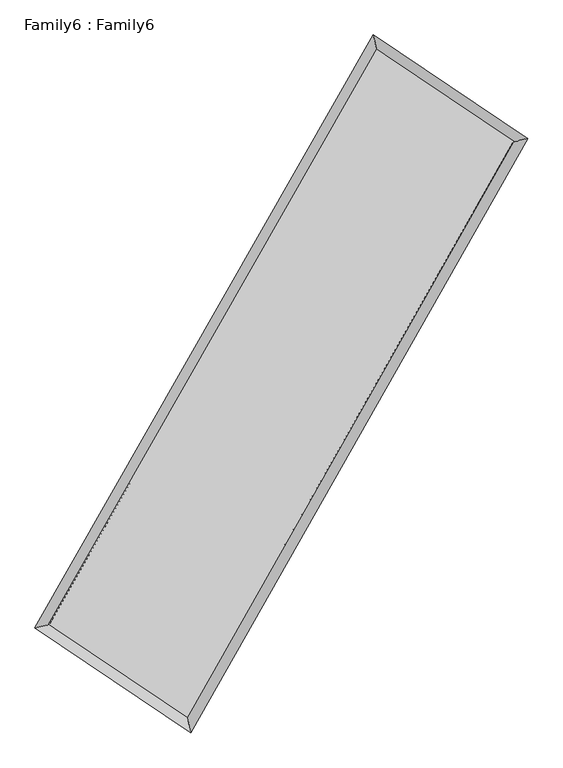
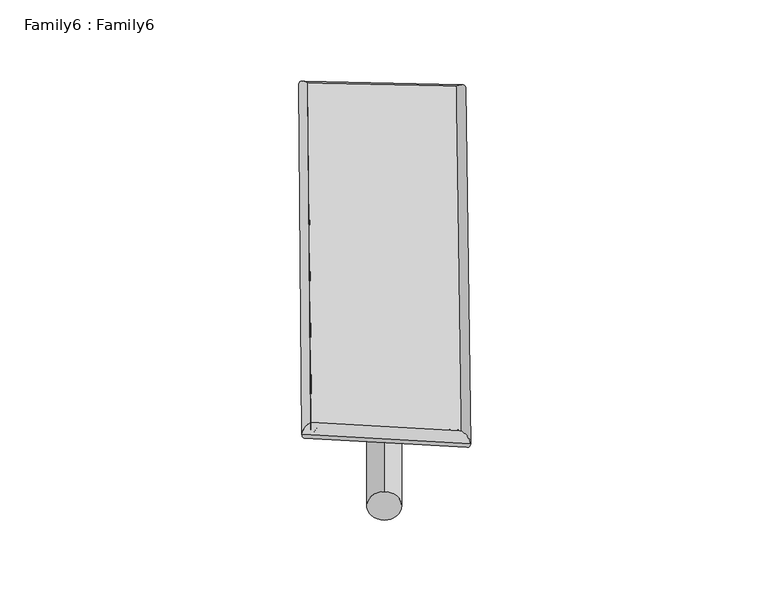
"""IFC4 building model written with IfcOpenShell, lengths in millimetres: plate geometry, Family6 : Family6."""

from ifc_helpers import new_model, si_unit, point, frame, origin, origin_2d, place, context, project, spatial, circle_curve, ellipse_curve, trimmed, segment, composite_curve, outline, extrude, source, transform, mapped, element, save
from ifc_brep_helpers import plane_surface, cylinder_surface, spline_surface, advanced_brep


def family6_family6_083a003a(model_context):
    return source(origin(), model_context, "Body", "SolidModel", [
        extrude(outline(composite_curve([segment(trimmed(circle_curve(origin_2d(), 76.2), [point((-75.4341514, -10.7763073))], [point((75.4341514, 10.7763073))], False, "CARTESIAN"), True, "CONTINUOUS"), segment(trimmed(circle_curve(origin_2d(), 76.2), [point((75.4341514, 10.7763073))], [point((-75.4341514, -10.7763073))], False, "CARTESIAN"), True, "CONTINUOUS")], self_intersect=False)), frame((9144.0, 9144.0, 0.0), z_axis=(0.665540820902728, 0.6907659826288352, 0.28266194111507653), x_axis=(-0.6834520969485873, 0.7162300732858135, -0.14109469620640291)), (0.0, 0.0, 1.0), 5488.8664095),
        extrude(outline(composite_curve([segment(trimmed(circle_curve(origin_2d(), 76.2), [point((-53.8815367, 53.8815367))], [point((53.8815367, -53.8815367))], False, "CARTESIAN"), True, "CONTINUOUS"), segment(trimmed(circle_curve(origin_2d(), 76.2), [point((53.8815367, -53.8815367))], [point((-53.8815367, 53.8815367))], False, "CARTESIAN"), True, "CONTINUOUS")], self_intersect=False)), frame((9144.0, 9144.0, 0.0), z_axis=(-0.6673452989962675, -0.6890896133342966, 0.28249912690550366), x_axis=(0.6487319893709153, -0.3515603447840307, 0.6749460200210001)), (0.0, 0.0, 1.0), 5491.868307),
        extrude(outline(composite_curve([segment(trimmed(circle_curve(origin_2d(), 76.2), [point((-53.8815367, -53.8815367))], [point((53.8815367, 53.8815367))], False, "CARTESIAN"), True, "CONTINUOUS"), segment(trimmed(circle_curve(origin_2d(), 76.2), [point((53.8815367, 53.8815367))], [point((-53.8815367, -53.8815367))], False, "CARTESIAN"), True, "CONTINUOUS")], self_intersect=False)), frame((9144.0, 9144.0, 0.0), z_axis=(0.26281890610559944, 0.9279988281672635, 0.2640916460504611), x_axis=(-0.8408666866862078, 0.35452676706342606, -0.4089669750198836)), (0.0, 0.0, 1.0), 5654.4170935),
        extrude(outline(composite_curve([segment(trimmed(circle_curve(origin_2d(), 76.2), [point((-75.4341515, 10.7763074))], [point((75.4341515, -10.7763074))], False, "CARTESIAN"), True, "CONTINUOUS"), segment(trimmed(circle_curve(origin_2d(), 76.2), [point((75.4341515, -10.7763074))], [point((-75.4341515, 10.7763074))], False, "CARTESIAN"), True, "CONTINUOUS")], self_intersect=False)), frame((9144.0, 9144.0, 0.0), z_axis=(-0.26075535723355414, -0.9286174676690762, 0.2639625776769768), x_axis=(0.8836572822168737, -0.119467951682436, 0.4526336444696656)), (0.0, 0.0, 1.0), 5658.0408301),
        advanced_brep(
        [(5276.624361, 5312.1537419, 1546.9158332), (5276.5242979, 5312.0141416, 1557.0292341), (5681.4306442, 5407.0674417, 1555.9801704), (10681.1601815, 14173.4115782, 1499.5252509), (10579.0152489, 14609.1732954, 1487.0433844), (5681.5307073, 5407.207042, 1545.8667695), (12594.8277065, 12887.8140364, 1550.9301717), (12999.3016055, 12983.2303613, 1552.0570959), (7617.1063578, 4107.9591857, 1494.6514988), (7720.1647264, 3671.7297191, 1492.3705854)],
        [
            (0, 1, ellipse_curve(frame((5479.0275026, 5359.6105918, 1551.4480018), z_axis=(-0.2284991530426391, 0.9734799535051909, 0.011176635554951037), x_axis=(-0.9732897129903351, -0.22868682390695846, 0.020235393708531457)), 208.1003235, 152.4)),
            (1, 2, ellipse_curve(frame((5479.0275026, 5359.6105918, 1551.4480018), z_axis=(-0.2284991530426391, 0.9734799535051909, 0.011176635554951037), x_axis=(-0.9732897129903351, -0.22868682390695846, 0.020235393708531457)), 208.1003235, 152.4)),
            (2, 3),
            (3, 4, ellipse_curve(frame((10630.0877152, 14391.2924368, 1493.2843177), z_axis=(-0.9734583640423038, -0.22853529133720027, -0.012265157540876355), x_axis=(0.22828378720977632, -0.973408567563721, 0.019033472901876815)), 223.883803, 152.4)),
            (4, 0),
            (2, 5, ellipse_curve(frame((5479.0275026, 5359.6105918, 1551.4480018), z_axis=(-0.2284991530426391, 0.9734799535051909, 0.011176635554951037), x_axis=(-0.9732897129903351, -0.22868682390695846, 0.020235393708531457)), 208.1003235, 152.4)),
            (5, 0, ellipse_curve(frame((5479.0275026, 5359.6105918, 1551.4480018), z_axis=(-0.2284991530426391, 0.9734799535051909, 0.011176635554951037), x_axis=(-0.9732897129903351, -0.22868682390695846, 0.020235393708531457)), 208.1003235, 152.4)),
            (4, 3, ellipse_curve(frame((10630.0877152, 14391.2924368, 1493.2843177), z_axis=(-0.9734583640423038, -0.22853529133720027, -0.012265157540876355), x_axis=(0.22828378720977632, -0.973408567563721, 0.019033472901876815)), 223.883803, 152.4)),
            (3, 6),
            (6, 7, ellipse_curve(frame((12797.064656, 12935.5221989, 1551.4936338), z_axis=(-0.22955518957998525, 0.9732289139310094, -0.011397193758320687), x_axis=(-0.9730340329421132, -0.22974923774798017, -0.02049532850746367)), 207.8170066, 152.4)),
            (7, 4),
            (7, 6, ellipse_curve(frame((12797.064656, 12935.5221989, 1551.4936338), z_axis=(-0.22955518957998525, 0.9732289139310094, -0.011397193758320687), x_axis=(-0.9730340329421132, -0.22974923774798017, -0.02049532850746367)), 207.8170066, 152.4)),
            (6, 8),
            (8, 9, ellipse_curve(frame((7668.6355421, 3889.8444524, 1493.5110421), z_axis=(0.9731250050340547, 0.22996191628862195, -0.012051623721958752), x_axis=(-0.22971779877444984, 0.9730761026794238, 0.018778480248541604)), 224.1462627, 152.4)),
            (9, 7),
            (9, 8, ellipse_curve(frame((7668.6355421, 3889.8444524, 1493.5110421), z_axis=(0.9731250050340547, 0.22996191628862195, -0.012051623721958752), x_axis=(-0.22971779877444984, 0.9730761026794238, 0.018778480248541604)), 224.1462627, 152.4)),
            (8, 5),
            (1, 9),
        ],
        [
            cylinder_surface(frame((5479.0275026, 5359.6105918, 1551.4480018), z_axis=(-0.49541316905003585, -0.8686394528474549, 0.005594004708146796), x_axis=(-0.8682197074541509, 0.4949488173346009, -0.03493147301944848)), 152.4),
            cylinder_surface(frame((10630.0877152, 14391.2924368, 1493.2843177), z_axis=(-0.8298730078256882, 0.5575068212680566, -0.022292041672591727), x_axis=(0.5578790865200497, 0.8297488615842187, -0.016963240352245078)), 152.4),
            cylinder_surface(frame((12797.064656, 12935.5221989, 1551.4936338), z_axis=(0.49319015908789815, 0.8699036581718171, 0.005576062960941048), x_axis=(0.869920286022139, -0.49319015908789815, -0.0014706957584538789)), 152.4),
            cylinder_surface(frame((7668.6355421, 3889.8444524, 1493.5110421), z_axis=(0.8300908892255888, -0.5571953790870176, -0.02196417876330415), x_axis=(-0.5569611397061712, -0.8303805357401151, 0.016200454350496257)), 152.4),
        ],
        [
            (0, [[1, 2, 3, 4, 5]]),
            (0, [[6, 7, -5, 8, -3]]),
            (1, [[-4, 9, 10, 11]]),
            (1, [[-8, -11, 12, -9]]),
            (2, [[-10, 13, 14, 15]]),
            (2, [[-12, -15, 16, -13]]),
            (3, [[-14, 17, -6, -2, 18]]),
            (3, [[-16, -18, -1, -7, -17]]),
        ],
    ),
        extrude(outline(composite_curve([segment(trimmed(circle_curve(origin_2d(), 304.8), [point((0.0, -304.8))], [point((0.0, 304.8))], False, "CARTESIAN"), True, "CONTINUOUS"), segment(trimmed(circle_curve(origin_2d(), 304.8), [point((0.0, 304.8))], [point((0.0, -304.8))], False, "CARTESIAN"), True, "CONTINUOUS")], self_intersect=False)), frame((6542.8197222, 4638.4467557, -0.0128101), z_axis=(0.49998528099306605, 0.8660339016367788, 2.4622879651681263e-06), x_axis=(-0.8660339016400279, 0.49998528099306605, 6.597456450660262e-07)), (0.0, 0.0, 1.0), 10405.0274146),
        advanced_brep(
        [(5479.0275026, 5359.6105918, 1551.4480018), (7668.6355421, 3889.8444524, 1493.5110421), (7668.644356, 3889.8410143, 1645.9110418), (5479.0363165, 5359.6071537, 1703.8480015), (12797.064656, 12935.5221989, 1551.4936338), (12797.0734699, 12935.5187608, 1703.8936335), (10630.0877152, 14391.2924368, 1493.2843177), (10630.0965291, 14391.2889987, 1645.6843174)],
        [
            (0, 1),
            (1, 2),
            (2, 3),
            (3, 0),
            (1, 4),
            (4, 5),
            (5, 2),
            (4, 6),
            (6, 7),
            (7, 5),
            (6, 0),
            (3, 7),
        ],
        [
            plane_surface(frame((6573.8315223, 4624.7275221, 1522.479522), z_axis=(-0.5573295839333959, -0.8302913553026644, 1.3501599327385427e-05), x_axis=(0.830090889225589, -0.5571953790870172, -0.021964178763304157))),
            plane_surface(frame((10232.850099, 8412.6833256, 1522.502338), z_axis=(0.8699173495366729, -0.49319752756939833, -6.143714685737448e-05), x_axis=(0.493190159087898, 0.8699036581718171, 0.005576062960941041))),
            plane_surface(frame((11713.5761856, 13663.4073178, 1522.3889758), z_axis=(0.5576456455508164, 0.8300791129858026, -1.352466654448714e-05), x_axis=(-0.8298730078256878, 0.5575068212680571, -0.022292041672591727))),
            plane_surface(frame((8054.5576089, 9875.4515143, 1522.3661598), z_axis=(-0.8686528724419612, 0.495421218183707, 6.141418256228872e-05), x_axis=(-0.4954131690500358, -0.868639452847455, 0.005594004708146806))),
            spline_surface(1, 1, [[(7668.644356, 3889.8410143, 1645.9110418), (5479.0363165, 5359.6071537, 1703.8480015)], [(12797.0734699, 12935.5187608, 1703.8936335), (10630.0965291, 14391.2889987, 1645.6843174)]], [2, 2], [2, 2], [0.0, 1.0], [0.0, 1.0]),
            spline_surface(1, 1, [[(10630.0877152, 14391.2924368, 1493.2843177), (5479.0275026, 5359.6105918, 1551.4480018)], [(12797.064656, 12935.5221989, 1551.4936338), (7668.6355421, 3889.8444524, 1493.5110421)]], [2, 2], [2, 2], [0.0, 1.0], [0.0, 1.0]),
        ],
        [
            (0, [[1, 2, 3, 4]]),
            (1, [[5, 6, 7, -2]]),
            (2, [[8, 9, 10, -6]]),
            (3, [[11, -4, 12, -9]]),
            (4, [[-3, -7, -10, -12]]),
            (5, [[-11, -8, -5, -1]]),
        ],
    ),
    ])


if __name__ == "__main__":
    model = new_model("IFC4")
    model_context = context("Model", 3, world=origin())
    ifc_project = project(units=[si_unit("LENGTHUNIT", "METRE", prefix="MILLI")], contexts=[model_context])
    site = spatial("IfcSite", under=ifc_project)
    building = spatial("IfcBuilding", under=site)
    placement = place(None, origin())
    family6_family6_shape = family6_family6_083a003a(model_context)
    element("IfcPlate", 1, ObjectType="Family6 : Family6", at=placement, inside=building, context=model_context, shape_type="MappedRepresentation", body=[
        mapped(family6_family6_shape, transform((0.0, 0.0, 0.0), x_axis=(1.0, 0.0, 0.0), y_axis=(0.0, 1.0, 0.0), z_axis=(0.0, 0.0, 1.0))),
    ])
    save(model, "model.ifc")
